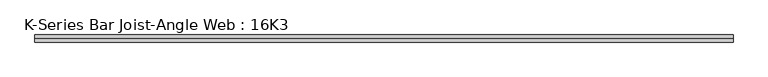
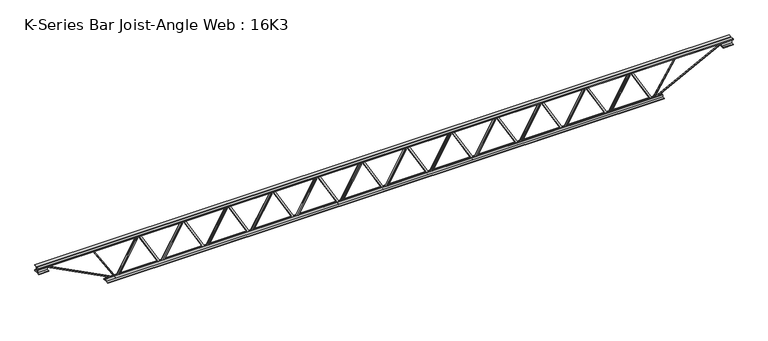
"""IFC4 building model written with IfcOpenShell, lengths in millimetres: beam geometry, K-Series Bar Joist-Angle Web : 16K3."""

import ifcopenshell
import ifcopenshell.guid

model = None  # the IFC model being written
_history = None  # IfcOwnerHistory: only IFC2X3 demands one
_inside = {}  # id of a spatial element -> (the spatial element, [elements in it])
_under = {}  # id of a project, library or spatial element -> (it, [spatial elements below it])
_declared = {}  # id of a project -> (the project, [libraries it declares])
_typed = {}  # id of a type object -> (the type object, [elements of that type])
_made_of = {}  # id of a material, layer set ... -> (it, [elements and type objects made of it])


def new_model(schema):
    """Start an empty IFC model of exactly this schema.

    Asked for "IFC4X3", IfcOpenShell would pick the latest addendum, in which some entities
    have other attributes; the version numbers below select the first issue.
    IFC2X3 requires an IfcOwnerHistory on every rooted entity: one is made here for all.
    """
    global model, _history
    if schema == "IFC4X3":
        model = ifcopenshell.file(schema_version=(4, 3, 0, 0))
    else:
        model = ifcopenshell.file(schema=schema)
    _inside.clear()
    _under.clear()
    _declared.clear()
    _typed.clear()
    _made_of.clear()
    _history = None
    if model.schema == "IFC2X3":
        org = make("IfcOrganization", Name="unknown")
        user = make(
            "IfcPersonAndOrganization",
            ThePerson=make("IfcPerson", FamilyName="unknown"),
            TheOrganization=org,
        )
        app = make(
            "IfcApplication",
            ApplicationDeveloper=org,
            Version="unknown",
            ApplicationFullName="unknown",
            ApplicationIdentifier="unknown",
        )
        _history = make(
            "IfcOwnerHistory",
            OwningUser=user,
            OwningApplication=app,
            ChangeAction="ADDED",
            CreationDate=0,
        )
    return model


def make(cls, **values):
    """One entity of the class cls with the attributes given. An attribute that is None is left unset."""
    return model.create_entity(
        cls, **{name: value for name, value in values.items() if value is not None}
    )


def rooted(cls, **values):
    """An entity with a GlobalId (a new one), such as an element, a storey or a relation."""
    return make(cls, GlobalId=ifcopenshell.guid.new(), OwnerHistory=_history, **values)


def si_unit(unit_type, name, prefix=None):
    """IfcSIUnit, for example si_unit("LENGTHUNIT", "METRE", prefix="MILLI")."""
    return make("IfcSIUnit", UnitType=unit_type, Prefix=prefix, Name=name)


def assignment(units):
    """IfcUnitAssignment: the units of a project."""
    return None if units is None else make("IfcUnitAssignment", Units=units)


def point(xyz):
    """IfcCartesianPoint."""
    return None if xyz is None else make("IfcCartesianPoint", Coordinates=xyz)


def direction(xyz):
    """IfcDirection."""
    return None if xyz is None else make("IfcDirection", DirectionRatios=xyz)


def frame(location, z_axis=None, x_axis=None):
    """IfcAxis2Placement3D, a coordinate frame: its origin and axes. An axis left out is left unset."""
    return make(
        "IfcAxis2Placement3D",
        Location=point(location),
        Axis=direction(z_axis),
        RefDirection=direction(x_axis),
    )


def origin():
    """The frame at (0, 0, 0) with its axes left unset."""
    return frame((0.0, 0.0, 0.0))


def place(relative_to, where):
    """IfcLocalPlacement: puts the frame where relative to a parent placement (None: the world)."""
    return make(
        "IfcLocalPlacement", PlacementRelTo=relative_to, RelativePlacement=where
    )


def context(
    kind, dimensions, precision=None, world=None, true_north=None, identifier=None
):
    """IfcGeometricRepresentationContext, for example the 3D "Model" context."""
    return make(
        "IfcGeometricRepresentationContext",
        ContextIdentifier=identifier,
        ContextType=kind,
        CoordinateSpaceDimension=dimensions,
        Precision=precision,
        WorldCoordinateSystem=world,
        TrueNorth=true_north,
    )


def project(units=None, contexts=None):
    """IfcProject with its units and contexts."""
    return rooted(
        "IfcProject",
        Name="project",
        RepresentationContexts=contexts,
        UnitsInContext=assignment(units),
    )


def spatial(cls, under=None, at=None, **own):
    """A site, building, storey or space (cls), placed at a placement, below another one or the project."""
    s = rooted(cls, ObjectPlacement=at, **own)
    if under is not None:
        _under.setdefault(under.id(), (under, []))[1].append(s)
    return s


def polyline(points):
    """IfcPolyline through the points."""
    return make("IfcPolyline", Points=[point(p) for p in points])


def outline(outer, holes=None, kind="AREA"):
    """IfcArbitraryClosedProfileDef: a profile drawn as a closed curve; with holes, ...WithVoids."""
    if holes is None:
        return make("IfcArbitraryClosedProfileDef", ProfileType=kind, OuterCurve=outer)
    return make(
        "IfcArbitraryProfileDefWithVoids",
        ProfileType=kind,
        OuterCurve=outer,
        InnerCurves=holes,
    )


def extrude(swept, where, along, depth):
    """IfcExtrudedAreaSolid: the profile swept, set in the frame where, extruded along a direction by depth."""
    return make(
        "IfcExtrudedAreaSolid",
        SweptArea=swept,
        Position=where,
        ExtrudedDirection=direction(along),
        Depth=depth,
    )


def faces_of(points, faces, orient=None, outer=None):
    """IfcFace entities. A face is a list of loops; a loop is a list of indices into points, from 0.

    orient and outer hold one flag for each loop. By default every Orientation is true, the
    first loop of a face is its IfcFaceOuterBound and the others are IfcFaceBound.
    """
    made = []
    for i, loops in enumerate(faces):
        bounds = []
        for j, loop in enumerate(loops):
            is_outer = j == 0 if outer is None else outer[i][j]
            bounds.append(
                make(
                    "IfcFaceOuterBound" if is_outer else "IfcFaceBound",
                    Bound=make("IfcPolyLoop", Polygon=[points[k] for k in loop]),
                    Orientation=True if orient is None else orient[i][j],
                )
            )
        made.append(make("IfcFace", Bounds=bounds))
    return made


def faceted_brep(points, faces, orient=None, outer=None, voids=None):
    """IfcFacetedBrep: a solid bounded by flat faces; with voids (closed shells), ...WithVoids."""
    shared = [point(p) for p in points]
    hull = make("IfcClosedShell", CfsFaces=faces_of(shared, faces, orient, outer))
    if voids is None:
        return make("IfcFacetedBrep", Outer=hull)
    return make(
        "IfcFacetedBrepWithVoids",
        Outer=hull,
        Voids=[
            make(cls, CfsFaces=faces_of(shared, fs, o, b)) for cls, fs, o, b in voids
        ],
    )


def shape(context_of_items, identifier, shape_type, items):
    """IfcShapeRepresentation: the items that make up one representation, for example the "Body"."""
    return make(
        "IfcShapeRepresentation",
        ContextOfItems=context_of_items,
        RepresentationIdentifier=identifier,
        RepresentationType=shape_type,
        Items=items,
    )


def source(mapping_origin, context_of_items, identifier, shape_type, items):
    """IfcRepresentationMap: a shape defined once, which mapped items show again and again."""
    return make(
        "IfcRepresentationMap",
        MappingOrigin=mapping_origin,
        MappedRepresentation=shape(context_of_items, identifier, shape_type, items),
    )


def transform(
    local_origin,
    x_axis=None,
    y_axis=None,
    z_axis=None,
    scale=None,
    scale2=None,
    scale3=None,
    uniform=True,
):
    """IfcCartesianTransformationOperator3D, or its non-uniform kind. x_axis, y_axis, z_axis: its Axis1, 2, 3."""
    if uniform:
        return make(
            "IfcCartesianTransformationOperator3D",
            Axis1=direction(x_axis),
            Axis2=direction(y_axis),
            LocalOrigin=point(local_origin),
            Scale=scale,
            Axis3=direction(z_axis),
        )
    return make(
        "IfcCartesianTransformationOperator3DnonUniform",
        Axis1=direction(x_axis),
        Axis2=direction(y_axis),
        LocalOrigin=point(local_origin),
        Scale=scale,
        Axis3=direction(z_axis),
        Scale2=scale2,
        Scale3=scale3,
    )


def mapped(mapping_source, mapping_target):
    """IfcMappedItem: shows the shape of a source again, moved by a transform."""
    return make(
        "IfcMappedItem", MappingSource=mapping_source, MappingTarget=mapping_target
    )


def made_of(thing, what):
    """Note that an element or type object is made of a material, layer set ...; save() writes the relation."""
    if what is not None:
        _made_of.setdefault(what.id(), (what, []))[1].append(thing)
    return thing


def element(
    cls,
    number,
    at=None,
    inside=None,
    cuts=None,
    type_object=None,
    material=None,
    context=None,
    identifier="Body",
    shape_type=None,
    held_by="IfcProductDefinitionShape",
    body=None,
    shapes=None,
    **own,
):
    """One element of the class cls, such as IfcWall. Its Tag is "e" and its number.

    at: its placement. inside: the storey or other place that contains it. cuts: it is an
    opening in that element (IfcRelVoidsElement). A single representation is given by context,
    identifier, shape_type and body (its items); several are given by shapes. held_by: the class
    of the entity that holds the representations. save() writes the other relations.
    """
    e = rooted(cls, Tag="e%d" % number, ObjectPlacement=at, **own)
    if body is not None:
        shapes = [shape(context, identifier, shape_type, body)]
    if shapes is not None:
        e.Representation = make(held_by, Representations=shapes)
    if inside is not None:
        _inside.setdefault(inside.id(), (inside, []))[1].append(e)
    if cuts is not None:
        rooted(
            "IfcRelVoidsElement", RelatingBuildingElement=cuts, RelatedOpeningElement=e
        )
    if type_object is not None:
        _typed.setdefault(type_object.id(), (type_object, []))[1].append(e)
    return made_of(e, material)


def aggregate(whole, parts):
    """IfcRelAggregates: a whole, such as a stair, and the parts it consists of."""
    return rooted("IfcRelAggregates", RelatingObject=whole, RelatedObjects=parts)


def save(model, path):
    """Write the relations noted so far, then the file.

    IfcRelAggregates (storeys below a building ...), IfcRelContainedInSpatialStructure (elements
    in a storey), IfcRelDefinesByType, IfcRelAssociatesMaterial and IfcRelDeclares: one each for
    every whole, place, type object, material and project.
    """
    for whole, parts in _under.values():
        aggregate(whole, parts)
    for where, things in _inside.values():
        rooted(
            "IfcRelContainedInSpatialStructure",
            RelatedElements=things,
            RelatingStructure=where,
        )
    for kind, things in _typed.values():
        rooted("IfcRelDefinesByType", RelatedObjects=things, RelatingType=kind)
    for what, things in _made_of.values():
        rooted("IfcRelAssociatesMaterial", RelatedObjects=things, RelatingMaterial=what)
    for by, libraries in _declared.values():
        rooted("IfcRelDeclares", RelatingContext=by, RelatedDefinitions=libraries)
    model.write(path)


def k_series_bar_joist_angle_web_16k3_04eb3418(model_context):
    return source(origin(), model_context, "Body", "SolidModel", [
        extrude(outline(polyline([(-4.7625, 4.7625), (-4.7625, 0.0), (-17.4625, 0.0), (-17.4625, 4.7625), (-4.7625, 4.7625)])), frame((2278.58238, 0.0, -165.1), z_axis=(-0.4971119927200672, 0.0, 0.8676863872931764), x_axis=(0.0, -1.0, 0.0)), (0.0, 0.0, 1.0), 380.552242),
        extrude(outline(polyline([(-200.025, 2310.4619318), (-180.975, 2310.4619318), (-180.975, 2309.6323691), (200.025, 2091.3511191), (200.025, 2073.1306818), (180.975, 2073.1306818), (180.975, 2080.3102446), (-200.025, 2298.5914946), (-200.025, 2310.4619318)])), frame((0.0, 0.0, 0.0), z_axis=(0.0, 1.0, 0.0), x_axis=(0.0, 0.0, 1.0)), (0.0, 0.0, 1.0), 4.7625),
        faceted_brep([(1848.4994318, 0.0, -180.975), (1848.4994318, 0.0, -200.025), (1848.4994318, -4.7625, -200.025), (1848.4994318, -4.7625, -180.975), (1849.3289946, 0.0, -180.975), (2067.6102446, 0.0, 200.025), (2085.8306818, 0.0, 200.025), (2085.8306818, 0.0, 180.975), (2078.6511191, 0.0, 180.975), (1860.3698691, 0.0, -200.025), (1860.3698691, -4.7625, -200.025), (1880.3789837, -4.7625, -165.1), (1876.2466273, -4.7625, -162.7325041), (2065.4237106, -4.7625, 167.4674959), (2069.556067, -4.7625, 165.1), (2078.6511191, -4.7625, 180.975), (2085.8306818, -4.7625, 180.975), (2085.8306818, -4.7625, 200.025), (2067.6102446, -4.7625, 200.025), (1849.3289946, -4.7625, -180.975), (2069.556067, -17.4625, 165.1), (1880.3789837, -17.4625, -165.1), (1876.2466273, -17.4625, -162.7325041), (2065.4237106, -17.4625, 167.4674959)], [[[0, 1, 2, 3]], [[1, 0, 4, 5, 6, 7, 8, 9]], [[2, 1, 9, 10]], [[3, 2, 10, 11, 12, 13, 14, 15, 16, 17, 18, 19]], [[0, 3, 19, 4]], [[9, 8, 15, 14, 20, 21, 11, 10]], [[5, 4, 19, 18]], [[7, 6, 17, 16]], [[8, 7, 16, 15]], [[6, 5, 18, 17]], [[21, 22, 12, 11]], [[20, 14, 13, 23]], [[22, 21, 20, 23]], [[12, 22, 23, 13]]]),
        extrude(outline(polyline([(-4.7625, 4.7625), (-4.7625, 0.0), (-17.4625, 0.0), (-17.4625, 4.7625), (-4.7625, 4.7625)])), frame((1816.4755618, 0.0, -165.1), z_axis=(-0.4971119927200672, 0.0, 0.8676863872931764), x_axis=(0.0, -1.0, 0.0)), (0.0, 0.0, 1.0), 380.552242),
        extrude(outline(polyline([(-200.025, 1848.3551136), (-180.975, 1848.3551136), (-180.975, 1847.5255509), (200.025, 1629.2443009), (200.025, 1611.0238636), (180.975, 1611.0238636), (180.975, 1618.2034264), (-200.025, 1836.4846764), (-200.025, 1848.3551136)])), frame((0.0, 0.0, 0.0), z_axis=(0.0, 1.0, 0.0), x_axis=(0.0, 0.0, 1.0)), (0.0, 0.0, 1.0), 4.7625),
        faceted_brep([(1386.3926136, 0.0, -180.975), (1386.3926136, 0.0, -200.025), (1386.3926136, -4.7625, -200.025), (1386.3926136, -4.7625, -180.975), (1387.2221764, 0.0, -180.975), (1605.5034264, 0.0, 200.025), (1623.7238636, 0.0, 200.025), (1623.7238636, 0.0, 180.975), (1616.5443009, 0.0, 180.975), (1398.2630509, 0.0, -200.025), (1398.2630509, -4.7625, -200.025), (1418.2721655, -4.7625, -165.1), (1414.1398091, -4.7625, -162.7325041), (1603.3168924, -4.7625, 167.4674959), (1607.4492488, -4.7625, 165.1), (1616.5443009, -4.7625, 180.975), (1623.7238636, -4.7625, 180.975), (1623.7238636, -4.7625, 200.025), (1605.5034264, -4.7625, 200.025), (1387.2221764, -4.7625, -180.975), (1607.4492488, -17.4625, 165.1), (1418.2721655, -17.4625, -165.1), (1414.1398091, -17.4625, -162.7325041), (1603.3168924, -17.4625, 167.4674959)], [[[0, 1, 2, 3]], [[1, 0, 4, 5, 6, 7, 8, 9]], [[2, 1, 9, 10]], [[3, 2, 10, 11, 12, 13, 14, 15, 16, 17, 18, 19]], [[0, 3, 19, 4]], [[9, 8, 15, 14, 20, 21, 11, 10]], [[5, 4, 19, 18]], [[7, 6, 17, 16]], [[8, 7, 16, 15]], [[6, 5, 18, 17]], [[21, 22, 12, 11]], [[20, 14, 13, 23]], [[22, 21, 20, 23]], [[12, 22, 23, 13]]]),
        extrude(outline(polyline([(-4.7625, 4.7625), (-4.7625, 0.0), (-17.4625, 0.0), (-17.4625, 4.7625), (-4.7625, 4.7625)])), frame((1354.3687436, 0.0, -165.1), z_axis=(-0.4971119927200672, 0.0, 0.8676863872931764), x_axis=(0.0, -1.0, 0.0)), (0.0, 0.0, 1.0), 380.552242),
        extrude(outline(polyline([(-200.025, 1386.2482955), (-180.975, 1386.2482955), (-180.975, 1385.4187327), (200.025, 1167.1374827), (200.025, 1148.9170455), (180.975, 1148.9170455), (180.975, 1156.0966082), (-200.025, 1374.3778582), (-200.025, 1386.2482955)])), frame((0.0, 0.0, 0.0), z_axis=(0.0, 1.0, 0.0), x_axis=(0.0, 0.0, 1.0)), (0.0, 0.0, 1.0), 4.7625),
        faceted_brep([(924.2857955, 0.0, -180.975), (924.2857955, 0.0, -200.025), (924.2857955, -4.7625, -200.025), (924.2857955, -4.7625, -180.975), (925.1153582, 0.0, -180.975), (1143.3966082, 0.0, 200.025), (1161.6170455, 0.0, 200.025), (1161.6170455, 0.0, 180.975), (1154.4374827, 0.0, 180.975), (936.1562327, 0.0, -200.025), (936.1562327, -4.7625, -200.025), (956.1653473, -4.7625, -165.1), (952.0329909, -4.7625, -162.7325041), (1141.2100742, -4.7625, 167.4674959), (1145.3424306, -4.7625, 165.1), (1154.4374827, -4.7625, 180.975), (1161.6170455, -4.7625, 180.975), (1161.6170455, -4.7625, 200.025), (1143.3966082, -4.7625, 200.025), (925.1153582, -4.7625, -180.975), (1145.3424306, -17.4625, 165.1), (956.1653473, -17.4625, -165.1), (952.0329909, -17.4625, -162.7325041), (1141.2100742, -17.4625, 167.4674959)], [[[0, 1, 2, 3]], [[1, 0, 4, 5, 6, 7, 8, 9]], [[2, 1, 9, 10]], [[3, 2, 10, 11, 12, 13, 14, 15, 16, 17, 18, 19]], [[0, 3, 19, 4]], [[9, 8, 15, 14, 20, 21, 11, 10]], [[5, 4, 19, 18]], [[7, 6, 17, 16]], [[8, 7, 16, 15]], [[6, 5, 18, 17]], [[21, 22, 12, 11]], [[20, 14, 13, 23]], [[22, 21, 20, 23]], [[12, 22, 23, 13]]]),
        extrude(outline(polyline([(-4.7625, 4.7625), (-4.7625, 0.0), (-17.4625, 0.0), (-17.4625, 4.7625), (-4.7625, 4.7625)])), frame((892.2619254, 0.0, -165.1), z_axis=(-0.4971119927200672, 0.0, 0.8676863872931764), x_axis=(0.0, -1.0, 0.0)), (0.0, 0.0, 1.0), 380.552242),
        extrude(outline(polyline([(-200.025, 924.1414773), (-180.975, 924.1414773), (-180.975, 923.3119145), (200.025, 705.0306645), (200.025, 686.8102273), (180.975, 686.8102273), (180.975, 693.98979), (-200.025, 912.27104), (-200.025, 924.1414773)])), frame((0.0, 0.0, 0.0), z_axis=(0.0, 1.0, 0.0), x_axis=(0.0, 0.0, 1.0)), (0.0, 0.0, 1.0), 4.7625),
        faceted_brep([(462.1789773, 0.0, -180.975), (462.1789773, 0.0, -200.025), (462.1789773, -4.7625, -200.025), (462.1789773, -4.7625, -180.975), (463.00854, 0.0, -180.975), (681.28979, 0.0, 200.025), (699.5102273, 0.0, 200.025), (699.5102273, 0.0, 180.975), (692.3306645, 0.0, 180.975), (474.0494145, 0.0, -200.025), (474.0494145, -4.7625, -200.025), (494.0585291, -4.7625, -165.1), (489.9261727, -4.7625, -162.7325041), (679.103256, -4.7625, 167.4674959), (683.2356125, -4.7625, 165.1), (692.3306645, -4.7625, 180.975), (699.5102273, -4.7625, 180.975), (699.5102273, -4.7625, 200.025), (681.28979, -4.7625, 200.025), (463.00854, -4.7625, -180.975), (683.2356125, -17.4625, 165.1), (494.0585291, -17.4625, -165.1), (489.9261727, -17.4625, -162.7325041), (679.103256, -17.4625, 167.4674959)], [[[0, 1, 2, 3]], [[1, 0, 4, 5, 6, 7, 8, 9]], [[2, 1, 9, 10]], [[3, 2, 10, 11, 12, 13, 14, 15, 16, 17, 18, 19]], [[0, 3, 19, 4]], [[9, 8, 15, 14, 20, 21, 11, 10]], [[5, 4, 19, 18]], [[7, 6, 17, 16]], [[8, 7, 16, 15]], [[6, 5, 18, 17]], [[21, 22, 12, 11]], [[20, 14, 13, 23]], [[22, 21, 20, 23]], [[12, 22, 23, 13]]]),
        extrude(outline(polyline([(-4.7625, 4.7625001), (-4.7625, 0.0), (-17.4625, 0.0), (-17.4625, 4.7625001), (-4.7625, 4.7625001)])), frame((430.1551072, 0.0, -165.1), z_axis=(-0.4971119927200672, 0.0, 0.8676863872931764), x_axis=(0.0, -1.0, 0.0)), (0.0, 0.0, 1.0), 380.552242),
        extrude(outline(polyline([(-200.025, 462.0346591), (-180.975, 462.0346591), (-180.975, 461.2050964), (200.025, 242.9238464), (200.025, 224.7034091), (180.975, 224.7034091), (180.975, 231.8829718), (-200.025, 450.1642218), (-200.025, 462.0346591)])), frame((0.0, 0.0, 0.0), z_axis=(0.0, 1.0, 0.0), x_axis=(0.0, 0.0, 1.0)), (0.0, 0.0, 1.0), 4.7625),
        faceted_brep([(0.0721591, 0.0, -180.975), (0.0721591, 0.0, -200.025), (0.0721591, -4.7625, -200.025), (0.0721591, -4.7625, -180.975), (0.9017218, 0.0, -180.975), (219.1829718, 0.0, 200.025), (237.4034091, 0.0, 200.025), (237.4034091, 0.0, 180.975), (230.2238464, 0.0, 180.975), (11.9425964, 0.0, -200.025), (11.9425964, -4.7625, -200.025), (31.9517109, -4.7625, -165.1), (27.8193545, -4.7625, -162.7325041), (216.9964379, -4.7625, 167.4674959), (221.1287943, -4.7625, 165.1), (230.2238464, -4.7625, 180.975), (237.4034091, -4.7625, 180.975), (237.4034091, -4.7625, 200.025), (219.1829718, -4.7625, 200.025), (0.9017218, -4.7625, -180.975), (221.1287943, -17.4625, 165.1), (31.9517109, -17.4625, -165.1), (27.8193545, -17.4625, -162.7325041), (216.9964379, -17.4625, 167.4674959)], [[[0, 1, 2, 3]], [[1, 0, 4, 5, 6, 7, 8, 9]], [[2, 1, 9, 10]], [[3, 2, 10, 11, 12, 13, 14, 15, 16, 17, 18, 19]], [[0, 3, 19, 4]], [[9, 8, 15, 14, 20, 21, 11, 10]], [[5, 4, 19, 18]], [[7, 6, 17, 16]], [[8, 7, 16, 15]], [[6, 5, 18, 17]], [[21, 22, 12, 11]], [[20, 14, 13, 23]], [[22, 21, 20, 23]], [[12, 22, 23, 13]]]),
        extrude(outline(polyline([(-4.7625, 4.7625), (-4.7625, 0.0), (-17.4625, 0.0), (-17.4625, 4.7625), (-4.7625, 4.7625)])), frame((-31.9517109, 0.0, -165.1), z_axis=(-0.4971119927200672, 0.0, 0.8676863872931764), x_axis=(0.0, -1.0, 0.0)), (0.0, 0.0, 1.0), 380.552242),
        extrude(outline(polyline([(-200.025, -0.0721591), (-180.975, -0.0721591), (-180.975, -0.9017218), (200.025, -219.1829718), (200.025, -237.4034091), (180.975, -237.4034091), (180.975, -230.2238464), (-200.025, -11.9425964), (-200.025, -0.0721591)])), frame((0.0, 0.0, 0.0), z_axis=(0.0, 1.0, 0.0), x_axis=(0.0, 0.0, 1.0)), (0.0, 0.0, 1.0), 4.7625),
        faceted_brep([(-462.0346591, 0.0, -180.975), (-462.0346591, 0.0, -200.025), (-462.0346591, -4.7625, -200.025), (-462.0346591, -4.7625, -180.975), (-461.2050964, 0.0, -180.975), (-242.9238464, 0.0, 200.025), (-224.7034091, 0.0, 200.025), (-224.7034091, 0.0, 180.975), (-231.8829718, 0.0, 180.975), (-450.1642218, 0.0, -200.025), (-450.1642218, -4.7625, -200.025), (-430.1551072, -4.7625, -165.1), (-434.2874637, -4.7625, -162.7325041), (-245.1103803, -4.7625, 167.4674959), (-240.9780239, -4.7625, 165.1), (-231.8829718, -4.7625, 180.975), (-224.7034091, -4.7625, 180.975), (-224.7034091, -4.7625, 200.025), (-242.9238464, -4.7625, 200.025), (-461.2050964, -4.7625, -180.975), (-240.9780239, -17.4625, 165.1), (-430.1551072, -17.4625, -165.1), (-434.2874637, -17.4625, -162.7325041), (-245.1103803, -17.4625, 167.4674959)], [[[0, 1, 2, 3]], [[1, 0, 4, 5, 6, 7, 8, 9]], [[2, 1, 9, 10]], [[3, 2, 10, 11, 12, 13, 14, 15, 16, 17, 18, 19]], [[0, 3, 19, 4]], [[9, 8, 15, 14, 20, 21, 11, 10]], [[5, 4, 19, 18]], [[7, 6, 17, 16]], [[8, 7, 16, 15]], [[6, 5, 18, 17]], [[21, 22, 12, 11]], [[20, 14, 13, 23]], [[22, 21, 20, 23]], [[12, 22, 23, 13]]]),
        extrude(outline(polyline([(-4.7625, 4.7625), (-4.7625, 0.0), (-17.4625, 0.0), (-17.4625, 4.7625), (-4.7625, 4.7625)])), frame((-494.0585291, 0.0, -165.1), z_axis=(-0.4971119927200672, 0.0, 0.8676863872931764), x_axis=(0.0, -1.0, 0.0)), (0.0, 0.0, 1.0), 380.552242),
        extrude(outline(polyline([(-200.025, -462.1789773), (-180.975, -462.1789773), (-180.975, -463.00854), (200.025, -681.28979), (200.025, -699.5102273), (180.975, -699.5102273), (180.975, -692.3306645), (-200.025, -474.0494145), (-200.025, -462.1789773)])), frame((0.0, 0.0, 0.0), z_axis=(0.0, 1.0, 0.0), x_axis=(0.0, 0.0, 1.0)), (0.0, 0.0, 1.0), 4.7625),
        faceted_brep([(-924.1414773, 0.0, -180.975), (-924.1414773, 0.0, -200.025), (-924.1414773, -4.7625, -200.025), (-924.1414773, -4.7625, -180.975), (-923.3119145, 0.0, -180.975), (-705.0306645, 0.0, 200.025), (-686.8102273, 0.0, 200.025), (-686.8102273, 0.0, 180.975), (-693.98979, 0.0, 180.975), (-912.27104, 0.0, -200.025), (-912.27104, -4.7625, -200.025), (-892.2619254, -4.7625, -165.1), (-896.3942818, -4.7625, -162.7325041), (-707.2171985, -4.7625, 167.4674959), (-703.0848421, -4.7625, 165.1), (-693.98979, -4.7625, 180.975), (-686.8102273, -4.7625, 180.975), (-686.8102273, -4.7625, 200.025), (-705.0306645, -4.7625, 200.025), (-923.3119145, -4.7625, -180.975), (-703.0848421, -17.4625, 165.1), (-892.2619254, -17.4625, -165.1), (-896.3942818, -17.4625, -162.7325041), (-707.2171985, -17.4625, 167.4674959)], [[[0, 1, 2, 3]], [[1, 0, 4, 5, 6, 7, 8, 9]], [[2, 1, 9, 10]], [[3, 2, 10, 11, 12, 13, 14, 15, 16, 17, 18, 19]], [[0, 3, 19, 4]], [[9, 8, 15, 14, 20, 21, 11, 10]], [[5, 4, 19, 18]], [[7, 6, 17, 16]], [[8, 7, 16, 15]], [[6, 5, 18, 17]], [[21, 22, 12, 11]], [[20, 14, 13, 23]], [[22, 21, 20, 23]], [[12, 22, 23, 13]]]),
        extrude(outline(polyline([(-4.7625, 4.7625), (-4.7625, 0.0), (-17.4625, 0.0), (-17.4625, 4.7625), (-4.7625, 4.7625)])), frame((-956.1653473, 0.0, -165.1), z_axis=(-0.4971119927200672, 0.0, 0.8676863872931764), x_axis=(0.0, -1.0, 0.0)), (0.0, 0.0, 1.0), 380.552242),
        extrude(outline(polyline([(-200.025, -924.2857955), (-180.975, -924.2857955), (-180.975, -925.1153582), (200.025, -1143.3966082), (200.025, -1161.6170455), (180.975, -1161.6170455), (180.975, -1154.4374827), (-200.025, -936.1562327), (-200.025, -924.2857955)])), frame((0.0, 0.0, 0.0), z_axis=(0.0, 1.0, 0.0), x_axis=(0.0, 0.0, 1.0)), (0.0, 0.0, 1.0), 4.7625),
        faceted_brep([(-1386.2482955, 0.0, -180.975), (-1386.2482955, 0.0, -200.025), (-1386.2482955, -4.7625, -200.025), (-1386.2482955, -4.7625, -180.975), (-1385.4187327, 0.0, -180.975), (-1167.1374827, 0.0, 200.025), (-1148.9170455, 0.0, 200.025), (-1148.9170455, 0.0, 180.975), (-1156.0966082, 0.0, 180.975), (-1374.3778582, 0.0, -200.025), (-1374.3778582, -4.7625, -200.025), (-1354.3687436, -4.7625, -165.1), (-1358.5011, -4.7625, -162.7325041), (-1169.3240167, -4.7625, 167.4674959), (-1165.1916603, -4.7625, 165.1), (-1156.0966082, -4.7625, 180.975), (-1148.9170455, -4.7625, 180.975), (-1148.9170455, -4.7625, 200.025), (-1167.1374827, -4.7625, 200.025), (-1385.4187327, -4.7625, -180.975), (-1165.1916603, -17.4625, 165.1), (-1354.3687436, -17.4625, -165.1), (-1358.5011, -17.4625, -162.7325041), (-1169.3240167, -17.4625, 167.4674959)], [[[0, 1, 2, 3]], [[1, 0, 4, 5, 6, 7, 8, 9]], [[2, 1, 9, 10]], [[3, 2, 10, 11, 12, 13, 14, 15, 16, 17, 18, 19]], [[0, 3, 19, 4]], [[9, 8, 15, 14, 20, 21, 11, 10]], [[5, 4, 19, 18]], [[7, 6, 17, 16]], [[8, 7, 16, 15]], [[6, 5, 18, 17]], [[21, 22, 12, 11]], [[20, 14, 13, 23]], [[22, 21, 20, 23]], [[12, 22, 23, 13]]]),
        extrude(outline(polyline([(-4.7625, 4.7625), (-4.7625, 0.0), (-17.4625, 0.0), (-17.4625, 4.7625), (-4.7625, 4.7625)])), frame((-1418.2721655, 0.0, -165.1), z_axis=(-0.4971119927200672, 0.0, 0.8676863872931764), x_axis=(0.0, -1.0, 0.0)), (0.0, 0.0, 1.0), 380.552242),
        extrude(outline(polyline([(-200.025, -1386.3926136), (-180.975, -1386.3926136), (-180.975, -1387.2221764), (200.025, -1605.5034264), (200.025, -1623.7238636), (180.975, -1623.7238636), (180.975, -1616.5443009), (-200.025, -1398.2630509), (-200.025, -1386.3926136)])), frame((0.0, 0.0, 0.0), z_axis=(0.0, 1.0, 0.0), x_axis=(0.0, 0.0, 1.0)), (0.0, 0.0, 1.0), 4.7625),
        faceted_brep([(-1848.3551136, 0.0, -180.975), (-1848.3551136, 0.0, -200.025), (-1848.3551136, -4.7625, -200.025), (-1848.3551136, -4.7625, -180.975), (-1847.5255509, 0.0, -180.975), (-1629.2443009, 0.0, 200.025), (-1611.0238636, 0.0, 200.025), (-1611.0238636, 0.0, 180.975), (-1618.2034264, 0.0, 180.975), (-1836.4846764, 0.0, -200.025), (-1836.4846764, -4.7625, -200.025), (-1816.4755618, -4.7625, -165.1), (-1820.6079182, -4.7625, -162.7325041), (-1631.4308349, -4.7625, 167.4674959), (-1627.2984785, -4.7625, 165.1), (-1618.2034264, -4.7625, 180.975), (-1611.0238636, -4.7625, 180.975), (-1611.0238636, -4.7625, 200.025), (-1629.2443009, -4.7625, 200.025), (-1847.5255509, -4.7625, -180.975), (-1627.2984785, -17.4625, 165.1), (-1816.4755618, -17.4625, -165.1), (-1820.6079182, -17.4625, -162.7325041), (-1631.4308349, -17.4625, 167.4674959)], [[[0, 1, 2, 3]], [[1, 0, 4, 5, 6, 7, 8, 9]], [[2, 1, 9, 10]], [[3, 2, 10, 11, 12, 13, 14, 15, 16, 17, 18, 19]], [[0, 3, 19, 4]], [[9, 8, 15, 14, 20, 21, 11, 10]], [[5, 4, 19, 18]], [[7, 6, 17, 16]], [[8, 7, 16, 15]], [[6, 5, 18, 17]], [[21, 22, 12, 11]], [[20, 14, 13, 23]], [[22, 21, 20, 23]], [[12, 22, 23, 13]]]),
        extrude(outline(polyline([(-4.7625, 4.7625), (-4.7625, 0.0), (-17.4625, 0.0), (-17.4625, 4.7625), (-4.7625, 4.7625)])), frame((-1880.3789837, 0.0, -165.1), z_axis=(-0.4971119927200672, 0.0, 0.8676863872931764), x_axis=(0.0, -1.0, 0.0)), (0.0, 0.0, 1.0), 380.552242),
        extrude(outline(polyline([(-200.025, -1848.4994318), (-180.975, -1848.4994318), (-180.975, -1849.3289946), (200.025, -2067.6102446), (200.025, -2085.8306818), (180.975, -2085.8306818), (180.975, -2078.6511191), (-200.025, -1860.3698691), (-200.025, -1848.4994318)])), frame((0.0, 0.0, 0.0), z_axis=(0.0, 1.0, 0.0), x_axis=(0.0, 0.0, 1.0)), (0.0, 0.0, 1.0), 4.7625),
        faceted_brep([(-2310.4619318, 0.0, -180.975), (-2310.4619318, 0.0, -200.025), (-2310.4619318, -4.7625, -200.025), (-2310.4619318, -4.7625, -180.975), (-2309.6323691, 0.0, -180.975), (-2091.3511191, 0.0, 200.025), (-2073.1306818, 0.0, 200.025), (-2073.1306818, 0.0, 180.975), (-2080.3102446, 0.0, 180.975), (-2298.5914946, 0.0, -200.025), (-2298.5914946, -4.7625, -200.025), (-2278.58238, -4.7625, -165.1), (-2282.7147364, -4.7625, -162.7325041), (-2093.5376531, -4.7625, 167.4674959), (-2089.4052966, -4.7625, 165.1), (-2080.3102446, -4.7625, 180.975), (-2073.1306818, -4.7625, 180.975), (-2073.1306818, -4.7625, 200.025), (-2091.3511191, -4.7625, 200.025), (-2309.6323691, -4.7625, -180.975), (-2089.4052966, -17.4625, 165.1), (-2278.58238, -17.4625, -165.1), (-2282.7147364, -17.4625, -162.7325041), (-2093.5376531, -17.4625, 167.4674959)], [[[0, 1, 2, 3]], [[1, 0, 4, 5, 6, 7, 8, 9]], [[2, 1, 9, 10]], [[3, 2, 10, 11, 12, 13, 14, 15, 16, 17, 18, 19]], [[0, 3, 19, 4]], [[9, 8, 15, 14, 20, 21, 11, 10]], [[5, 4, 19, 18]], [[7, 6, 17, 16]], [[8, 7, 16, 15]], [[6, 5, 18, 17]], [[21, 22, 12, 11]], [[20, 14, 13, 23]], [[22, 21, 20, 23]], [[12, 22, 23, 13]]]),
        extrude(outline(polyline([(-4.7625, 4.7625001), (-4.7625, 0.0), (-17.4625, 0.0), (-17.4625, 4.7625001), (-4.7625, 4.7625001)])), frame((2740.6891981, 0.0, -165.1), z_axis=(-0.4971119927200672, 0.0, 0.8676863872931764), x_axis=(0.0, -1.0, 0.0)), (0.0, 0.0, 1.0), 380.552242),
        extrude(outline(polyline([(-200.025, 2772.56875), (-180.975, 2772.56875), (-180.975, 2771.7391873), (200.025, 2553.4579373), (200.025, 2535.2375), (180.975, 2535.2375), (180.975, 2542.4170627), (-200.025, 2760.6983127), (-200.025, 2772.56875)])), frame((0.0, 0.0, 0.0), z_axis=(0.0, 1.0, 0.0), x_axis=(0.0, 0.0, 1.0)), (0.0, 0.0, 1.0), 4.7625),
        faceted_brep([(2310.60625, 0.0, -180.975), (2310.60625, 0.0, -200.025), (2310.60625, -4.7625, -200.025), (2310.60625, -4.7625, -180.975), (2311.4358127, 0.0, -180.975), (2529.7170627, 0.0, 200.025), (2547.9375, 0.0, 200.025), (2547.9375, 0.0, 180.975), (2540.7579373, 0.0, 180.975), (2322.4766873, 0.0, -200.025), (2322.4766873, -4.7625, -200.025), (2342.4858019, -4.7625, -165.1), (2338.3534454, -4.7625, -162.7325041), (2527.5305288, -4.7625, 167.4674959), (2531.6628852, -4.7625, 165.1), (2540.7579373, -4.7625, 180.975), (2547.9375, -4.7625, 180.975), (2547.9375, -4.7625, 200.025), (2529.7170627, -4.7625, 200.025), (2311.4358127, -4.7625, -180.975), (2531.6628852, -17.4625, 165.1), (2342.4858019, -17.4625, -165.1), (2338.3534454, -17.4625, -162.7325041), (2527.5305288, -17.4625, 167.4674959)], [[[0, 1, 2, 3]], [[1, 0, 4, 5, 6, 7, 8, 9]], [[2, 1, 9, 10]], [[3, 2, 10, 11, 12, 13, 14, 15, 16, 17, 18, 19]], [[0, 3, 19, 4]], [[9, 8, 15, 14, 20, 21, 11, 10]], [[5, 4, 19, 18]], [[7, 6, 17, 16]], [[8, 7, 16, 15]], [[6, 5, 18, 17]], [[21, 22, 12, 11]], [[20, 14, 13, 23]], [[22, 21, 20, 23]], [[12, 22, 23, 13]]]),
        extrude(outline(polyline([(-4.7625, 4.7625001), (-4.7625, 0.0), (-17.4625, 0.0), (-17.4625, 4.7625001), (-4.7625, 4.7625001)])), frame((-2342.4858019, 0.0, -165.1), z_axis=(-0.4971119927200672, 0.0, 0.8676863872931764), x_axis=(0.0, -1.0, 0.0)), (0.0, 0.0, 1.0), 380.552242),
        extrude(outline(polyline([(-200.025, -2310.60625), (-180.975, -2310.60625), (-180.975, -2311.4358127), (200.025, -2529.7170627), (200.025, -2547.9375), (180.975, -2547.9375), (180.975, -2540.7579373), (-200.025, -2322.4766873), (-200.025, -2310.60625)])), frame((0.0, 0.0, 0.0), z_axis=(0.0, 1.0, 0.0), x_axis=(0.0, 0.0, 1.0)), (0.0, 0.0, 1.0), 4.7625),
        faceted_brep([(-2772.56875, 0.0, -180.975), (-2772.56875, 0.0, -200.025), (-2772.56875, -4.7625, -200.025), (-2772.56875, -4.7625, -180.975), (-2771.7391873, 0.0, -180.975), (-2553.4579373, 0.0, 200.025), (-2535.2375, 0.0, 200.025), (-2535.2375, 0.0, 180.975), (-2542.4170627, 0.0, 180.975), (-2760.6983127, 0.0, -200.025), (-2760.6983127, -4.7625, -200.025), (-2740.6891981, -4.7625, -165.1), (-2744.8215546, -4.7625, -162.7325041), (-2555.6444712, -4.7625, 167.4674959), (-2551.5121148, -4.7625, 165.1), (-2542.4170627, -4.7625, 180.975), (-2535.2375, -4.7625, 180.975), (-2535.2375, -4.7625, 200.025), (-2553.4579373, -4.7625, 200.025), (-2771.7391873, -4.7625, -180.975), (-2551.5121148, -17.4625, 165.1), (-2740.6891981, -17.4625, -165.1), (-2744.8215546, -17.4625, -162.7325041), (-2555.6444712, -17.4625, 167.4674959)], [[[0, 1, 2, 3]], [[1, 0, 4, 5, 6, 7, 8, 9]], [[2, 1, 9, 10]], [[3, 2, 10, 11, 12, 13, 14, 15, 16, 17, 18, 19]], [[0, 3, 19, 4]], [[9, 8, 15, 14, 20, 21, 11, 10]], [[5, 4, 19, 18]], [[7, 6, 17, 16]], [[8, 7, 16, 15]], [[6, 5, 18, 17]], [[21, 22, 12, 11]], [[20, 14, 13, 23]], [[22, 21, 20, 23]], [[12, 22, 23, 13]]]),
        extrude(outline(polyline([(4.7625, 203.2), (36.5125, 203.2), (36.5125, 196.85), (11.1125, 196.85), (11.1125, 171.45), (4.7625, 171.45), (4.7625, 203.2)])), frame((-3585.36875, 0.0, 0.0), z_axis=(1.0, 0.0, 0.0), x_axis=(0.0, 1.0, 0.0)), (0.0, 0.0, 1.0), 7170.7375),
        extrude(outline(polyline([(-4.7625, 203.2), (-4.7625, 171.45), (-11.1125, 171.45), (-11.1125, 196.85), (-36.5125, 196.85), (-36.5125, 203.2), (-4.7625, 203.2)])), frame((-3585.36875, 0.0, 0.0), z_axis=(1.0, 0.0, 0.0), x_axis=(0.0, 1.0, 0.0)), (0.0, 0.0, 1.0), 7170.7375),
        extrude(outline(polyline([(-4.7625, 139.7), (-36.5125, 139.7), (-36.5125, 146.05), (-11.1125, 146.05), (-11.1125, 171.45), (-4.7625, 171.45), (-4.7625, 139.7)])), frame((-3585.36875, 0.0, 0.0), z_axis=(1.0, 0.0, 0.0), x_axis=(0.0, 1.0, 0.0)), (0.0, 0.0, 1.0), 101.6),
        extrude(outline(polyline([(36.5125, 139.7), (4.7625, 139.7), (4.7625, 171.45), (11.1125, 171.45), (11.1125, 146.05), (36.5125, 146.05), (36.5125, 139.7)])), frame((-3585.36875, 0.0, 0.0), z_axis=(1.0, 0.0, 0.0), x_axis=(0.0, 1.0, 0.0)), (0.0, 0.0, 1.0), 101.6),
        extrude(outline(polyline([(4.7625, 139.7), (4.7625, 171.45), (11.1125, 171.45), (11.1125, 146.05), (36.5125, 146.05), (36.5125, 139.7), (4.7625, 139.7)])), frame((3483.76875, 0.0, 0.0), z_axis=(1.0, 0.0, 0.0), x_axis=(0.0, 1.0, 0.0)), (0.0, 0.0, 1.0), 101.6),
        extrude(outline(polyline([(-4.7625, 139.7), (-36.5125, 139.7), (-36.5125, 146.05), (-11.1125, 146.05), (-11.1125, 171.45), (-4.7625, 171.45), (-4.7625, 139.7)])), frame((3483.76875, 0.0, 0.0), z_axis=(1.0, 0.0, 0.0), x_axis=(0.0, 1.0, 0.0)), (0.0, 0.0, 1.0), 101.6),
        extrude(outline(polyline([(4.7625, -203.2), (4.7625, -171.45), (11.1125, -171.45), (11.1125, -196.85), (36.5125, -196.85), (36.5125, -203.2), (4.7625, -203.2)])), frame((-2874.16875, 0.0, 0.0), z_axis=(1.0, 0.0, 0.0), x_axis=(0.0, 1.0, 0.0)), (0.0, 0.0, 1.0), 5748.3375),
        extrude(outline(polyline([(-4.7625, -203.2), (-36.5125, -203.2), (-36.5125, -196.85), (-11.1125, -196.85), (-11.1125, -171.45), (-4.7625, -171.45), (-4.7625, -203.2)])), frame((-2874.16875, 0.0, 0.0), z_axis=(1.0, 0.0, 0.0), x_axis=(0.0, 1.0, 0.0)), (0.0, 0.0, 1.0), 5748.3375),
        extrude(outline(polyline([(4.7625, 4.7625), (4.7625, -4.7625), (-4.7625, -4.7625), (-4.7625, 4.7625), (4.7625, 4.7625)])), frame((2772.56875, 0.0, -196.85), z_axis=(0.5313112481020461, 0.0, 0.8471766980035782), x_axis=(0.0, -1.0, 0.0)), (0.0, 0.0, 1.0), 434.7381141),
        extrude(outline(polyline([(4.7625, 4.7625), (4.7625, -4.7625), (-4.7625, -4.7625), (-4.7625, 4.7625), (4.7625, 4.7625)])), frame((-2772.56875, 0.0, -196.85), z_axis=(-0.5313112481020159, 0.0, 0.8471766980035973), x_axis=(0.0, -1.0, 0.0)), (0.0, 0.0, 1.0), 434.7381141),
        extrude(outline(polyline([(0.0, -9.525), (0.0, 0.0), (800.9059433, 0.0), (800.9059433, -9.525), (0.0, -9.525)])), frame((3485.9588059, -4.7625, 167.2209266), z_axis=(-0.4598542476610154, 0.0, 0.8879944092775143), x_axis=(-0.8879944092775143, 0.0, -0.4598542476610154)), (0.0, 0.0, 1.0), 9.525),
        extrude(outline(polyline([(0.0, -9.525), (0.0, 0.0), (800.9059433, 0.0), (800.9059433, -9.525), (0.0, -9.525)])), frame((-3485.9588059, 4.7625, 167.2209266), z_axis=(0.45985424766101335, 0.0, 0.8879944092775154), x_axis=(0.8879944092775154, 0.0, -0.45985424766101335)), (0.0, 0.0, 1.0), 9.525),
    ])


if __name__ == "__main__":
    model = new_model("IFC4")
    model_context = context("Model", 3, world=origin())
    ifc_project = project(units=[si_unit("LENGTHUNIT", "METRE", prefix="MILLI")], contexts=[model_context])
    site = spatial("IfcSite", under=ifc_project)
    building = spatial("IfcBuilding", under=site)
    placement = place(None, origin())
    k_series_bar_joist_angle_web_16k3_shape = k_series_bar_joist_angle_web_16k3_04eb3418(model_context)
    element("IfcBeam", 1, ObjectType="K-Series Bar Joist-Angle Web : 16K3", at=placement, inside=building, context=model_context, shape_type="MappedRepresentation", body=[
        mapped(k_series_bar_joist_angle_web_16k3_shape, transform((0.0, 0.0, 0.0), x_axis=(1.0, 0.0, 0.0), y_axis=(0.0, 1.0, 0.0), z_axis=(0.0, 0.0, 1.0))),
    ])
    save(model, "model.ifc")
